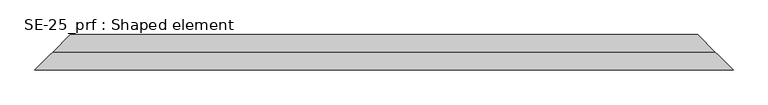
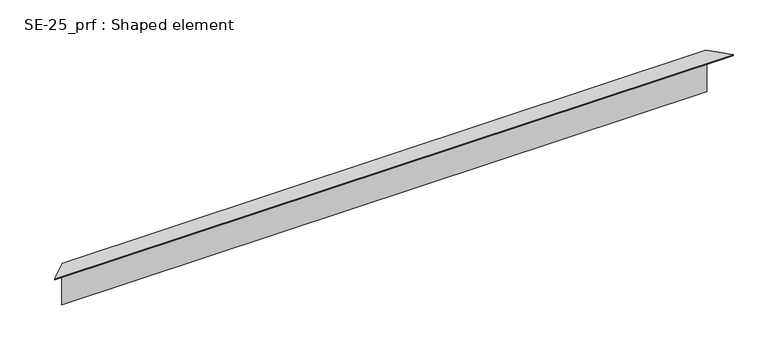
"""IFC4 building model written with IfcOpenShell, lengths in millimetres: proxy geometry, SE-25_prf : Shaped element."""

import ifcopenshell
import ifcopenshell.guid

model = None  # the IFC model being written
_history = None  # IfcOwnerHistory: only IFC2X3 demands one
_inside = {}  # id of a spatial element -> (the spatial element, [elements in it])
_under = {}  # id of a project, library or spatial element -> (it, [spatial elements below it])
_declared = {}  # id of a project -> (the project, [libraries it declares])
_typed = {}  # id of a type object -> (the type object, [elements of that type])
_made_of = {}  # id of a material, layer set ... -> (it, [elements and type objects made of it])


def new_model(schema):
    """Start an empty IFC model of exactly this schema.

    Asked for "IFC4X3", IfcOpenShell would pick the latest addendum, in which some entities
    have other attributes; the version numbers below select the first issue.
    IFC2X3 requires an IfcOwnerHistory on every rooted entity: one is made here for all.
    """
    global model, _history
    if schema == "IFC4X3":
        model = ifcopenshell.file(schema_version=(4, 3, 0, 0))
    else:
        model = ifcopenshell.file(schema=schema)
    _inside.clear()
    _under.clear()
    _declared.clear()
    _typed.clear()
    _made_of.clear()
    _history = None
    if model.schema == "IFC2X3":
        org = make("IfcOrganization", Name="unknown")
        user = make(
            "IfcPersonAndOrganization",
            ThePerson=make("IfcPerson", FamilyName="unknown"),
            TheOrganization=org,
        )
        app = make(
            "IfcApplication",
            ApplicationDeveloper=org,
            Version="unknown",
            ApplicationFullName="unknown",
            ApplicationIdentifier="unknown",
        )
        _history = make(
            "IfcOwnerHistory",
            OwningUser=user,
            OwningApplication=app,
            ChangeAction="ADDED",
            CreationDate=0,
        )
    return model


def make(cls, **values):
    """One entity of the class cls with the attributes given. An attribute that is None is left unset."""
    return model.create_entity(
        cls, **{name: value for name, value in values.items() if value is not None}
    )


def rooted(cls, **values):
    """An entity with a GlobalId (a new one), such as an element, a storey or a relation."""
    return make(cls, GlobalId=ifcopenshell.guid.new(), OwnerHistory=_history, **values)


def si_unit(unit_type, name, prefix=None):
    """IfcSIUnit, for example si_unit("LENGTHUNIT", "METRE", prefix="MILLI")."""
    return make("IfcSIUnit", UnitType=unit_type, Prefix=prefix, Name=name)


def assignment(units):
    """IfcUnitAssignment: the units of a project."""
    return None if units is None else make("IfcUnitAssignment", Units=units)


def point(xyz):
    """IfcCartesianPoint."""
    return None if xyz is None else make("IfcCartesianPoint", Coordinates=xyz)


def direction(xyz):
    """IfcDirection."""
    return None if xyz is None else make("IfcDirection", DirectionRatios=xyz)


def frame(location, z_axis=None, x_axis=None):
    """IfcAxis2Placement3D, a coordinate frame: its origin and axes. An axis left out is left unset."""
    return make(
        "IfcAxis2Placement3D",
        Location=point(location),
        Axis=direction(z_axis),
        RefDirection=direction(x_axis),
    )


def origin():
    """The frame at (0, 0, 0) with its axes left unset."""
    return frame((0.0, 0.0, 0.0))


def place(relative_to, where):
    """IfcLocalPlacement: puts the frame where relative to a parent placement (None: the world)."""
    return make(
        "IfcLocalPlacement", PlacementRelTo=relative_to, RelativePlacement=where
    )


def context(
    kind, dimensions, precision=None, world=None, true_north=None, identifier=None
):
    """IfcGeometricRepresentationContext, for example the 3D "Model" context."""
    return make(
        "IfcGeometricRepresentationContext",
        ContextIdentifier=identifier,
        ContextType=kind,
        CoordinateSpaceDimension=dimensions,
        Precision=precision,
        WorldCoordinateSystem=world,
        TrueNorth=true_north,
    )


def project(units=None, contexts=None):
    """IfcProject with its units and contexts."""
    return rooted(
        "IfcProject",
        Name="project",
        RepresentationContexts=contexts,
        UnitsInContext=assignment(units),
    )


def spatial(cls, under=None, at=None, **own):
    """A site, building, storey or space (cls), placed at a placement, below another one or the project."""
    s = rooted(cls, ObjectPlacement=at, **own)
    if under is not None:
        _under.setdefault(under.id(), (under, []))[1].append(s)
    return s


def faces_of(points, faces, orient=None, outer=None):
    """IfcFace entities. A face is a list of loops; a loop is a list of indices into points, from 0.

    orient and outer hold one flag for each loop. By default every Orientation is true, the
    first loop of a face is its IfcFaceOuterBound and the others are IfcFaceBound.
    """
    made = []
    for i, loops in enumerate(faces):
        bounds = []
        for j, loop in enumerate(loops):
            is_outer = j == 0 if outer is None else outer[i][j]
            bounds.append(
                make(
                    "IfcFaceOuterBound" if is_outer else "IfcFaceBound",
                    Bound=make("IfcPolyLoop", Polygon=[points[k] for k in loop]),
                    Orientation=True if orient is None else orient[i][j],
                )
            )
        made.append(make("IfcFace", Bounds=bounds))
    return made


def faceted_brep(points, faces, orient=None, outer=None, voids=None):
    """IfcFacetedBrep: a solid bounded by flat faces; with voids (closed shells), ...WithVoids."""
    shared = [point(p) for p in points]
    hull = make("IfcClosedShell", CfsFaces=faces_of(shared, faces, orient, outer))
    if voids is None:
        return make("IfcFacetedBrep", Outer=hull)
    return make(
        "IfcFacetedBrepWithVoids",
        Outer=hull,
        Voids=[
            make(cls, CfsFaces=faces_of(shared, fs, o, b)) for cls, fs, o, b in voids
        ],
    )


def shape(context_of_items, identifier, shape_type, items):
    """IfcShapeRepresentation: the items that make up one representation, for example the "Body"."""
    return make(
        "IfcShapeRepresentation",
        ContextOfItems=context_of_items,
        RepresentationIdentifier=identifier,
        RepresentationType=shape_type,
        Items=items,
    )


def source(mapping_origin, context_of_items, identifier, shape_type, items):
    """IfcRepresentationMap: a shape defined once, which mapped items show again and again."""
    return make(
        "IfcRepresentationMap",
        MappingOrigin=mapping_origin,
        MappedRepresentation=shape(context_of_items, identifier, shape_type, items),
    )


def transform(
    local_origin,
    x_axis=None,
    y_axis=None,
    z_axis=None,
    scale=None,
    scale2=None,
    scale3=None,
    uniform=True,
):
    """IfcCartesianTransformationOperator3D, or its non-uniform kind. x_axis, y_axis, z_axis: its Axis1, 2, 3."""
    if uniform:
        return make(
            "IfcCartesianTransformationOperator3D",
            Axis1=direction(x_axis),
            Axis2=direction(y_axis),
            LocalOrigin=point(local_origin),
            Scale=scale,
            Axis3=direction(z_axis),
        )
    return make(
        "IfcCartesianTransformationOperator3DnonUniform",
        Axis1=direction(x_axis),
        Axis2=direction(y_axis),
        LocalOrigin=point(local_origin),
        Scale=scale,
        Axis3=direction(z_axis),
        Scale2=scale2,
        Scale3=scale3,
    )


def mapped(mapping_source, mapping_target):
    """IfcMappedItem: shows the shape of a source again, moved by a transform."""
    return make(
        "IfcMappedItem", MappingSource=mapping_source, MappingTarget=mapping_target
    )


def made_of(thing, what):
    """Note that an element or type object is made of a material, layer set ...; save() writes the relation."""
    if what is not None:
        _made_of.setdefault(what.id(), (what, []))[1].append(thing)
    return thing


def element(
    cls,
    number,
    at=None,
    inside=None,
    cuts=None,
    type_object=None,
    material=None,
    context=None,
    identifier="Body",
    shape_type=None,
    held_by="IfcProductDefinitionShape",
    body=None,
    shapes=None,
    **own,
):
    """One element of the class cls, such as IfcWall. Its Tag is "e" and its number.

    at: its placement. inside: the storey or other place that contains it. cuts: it is an
    opening in that element (IfcRelVoidsElement). A single representation is given by context,
    identifier, shape_type and body (its items); several are given by shapes. held_by: the class
    of the entity that holds the representations. save() writes the other relations.
    """
    e = rooted(cls, Tag="e%d" % number, ObjectPlacement=at, **own)
    if body is not None:
        shapes = [shape(context, identifier, shape_type, body)]
    if shapes is not None:
        e.Representation = make(held_by, Representations=shapes)
    if inside is not None:
        _inside.setdefault(inside.id(), (inside, []))[1].append(e)
    if cuts is not None:
        rooted(
            "IfcRelVoidsElement", RelatingBuildingElement=cuts, RelatedOpeningElement=e
        )
    if type_object is not None:
        _typed.setdefault(type_object.id(), (type_object, []))[1].append(e)
    return made_of(e, material)


def aggregate(whole, parts):
    """IfcRelAggregates: a whole, such as a stair, and the parts it consists of."""
    return rooted("IfcRelAggregates", RelatingObject=whole, RelatedObjects=parts)


def save(model, path):
    """Write the relations noted so far, then the file.

    IfcRelAggregates (storeys below a building ...), IfcRelContainedInSpatialStructure (elements
    in a storey), IfcRelDefinesByType, IfcRelAssociatesMaterial and IfcRelDeclares: one each for
    every whole, place, type object, material and project.
    """
    for whole, parts in _under.values():
        aggregate(whole, parts)
    for where, things in _inside.values():
        rooted(
            "IfcRelContainedInSpatialStructure",
            RelatedElements=things,
            RelatingStructure=where,
        )
    for kind, things in _typed.values():
        rooted("IfcRelDefinesByType", RelatedObjects=things, RelatingType=kind)
    for what, things in _made_of.values():
        rooted("IfcRelAssociatesMaterial", RelatedObjects=things, RelatingMaterial=what)
    for by, libraries in _declared.values():
        rooted("IfcRelDeclares", RelatingContext=by, RelatedDefinitions=libraries)
    model.write(path)


def se_25_prf_shaped_element_3dfe272e(model_context):
    return source(origin(), model_context, "Body", "Brep", [
        faceted_brep([(45.0, 45.0, 2.0), (45.0, 45.0, 5.0), (1463.7010473, 45.0, 5.0), (1463.7010473, 45.0, 2.0), (35.0, 35.0, 2.0), (1473.7010473, 35.0, 2.0), (35.0, 35.0, 3.0), (1473.7010473, 35.0, 3.0), (44.0, 44.0, 3.0), (1464.7010473, 44.0, 3.0), (44.0, 44.0, 4.0), (1464.7010473, 44.0, 4.0), (4.0, 4.0, 4.0), (1504.7010473, 4.0, 4.0), (4.0, 4.0, 104.0), (1504.7010473, 4.0, 104.0), (0.0, 0.0, 104.0), (1508.7010473, 0.0, 104.0), (1542.7010473, -34.0, 104.0), (-34.0, -34.0, 104.0), (5.0, 5.0, 105.0), (0.0, 0.0, 105.0), (-35.0, -35.0, 105.0), (1543.7010473, -35.0, 105.0), (1508.7010473, 0.0, 105.0), (1503.7010473, 5.0, 105.0), (5.0, 5.0, 5.0), (1503.7010473, 5.0, 5.0), (-34.0, -34.0, 103.0), (1542.7010473, -34.0, 103.0), (-25.0, -25.0, 103.0), (1533.7010473, -25.0, 103.0), (-25.0, -25.0, 102.0), (1533.7010473, -25.0, 102.0), (-35.0, -35.0, 102.0), (1543.7010473, -35.0, 102.0)], [[[0, 1, 2, 3]], [[4, 0, 3, 5]], [[6, 4, 5, 7]], [[8, 6, 7, 9]], [[10, 8, 9, 11]], [[12, 10, 11, 13]], [[14, 12, 13, 15]], [[16, 14, 15, 17, 18, 19]], [[20, 21, 22, 23, 24, 25]], [[26, 20, 25, 27]], [[1, 26, 27, 2]], [[28, 19, 18, 29]], [[30, 28, 29, 31]], [[32, 30, 31, 33]], [[34, 32, 33, 35]], [[22, 34, 35, 23]], [[16, 21, 20, 26, 1, 0, 4, 6, 8, 10, 12, 14]], [[21, 16, 19, 28, 30, 32, 34, 22]], [[24, 17, 15, 13, 11, 9, 7, 5, 3, 2, 27, 25]], [[17, 24, 23, 35, 33, 31, 29, 18]]]),
    ])


if __name__ == "__main__":
    model = new_model("IFC4")
    model_context = context("Model", 3, world=origin())
    ifc_project = project(units=[si_unit("LENGTHUNIT", "METRE", prefix="MILLI")], contexts=[model_context])
    site = spatial("IfcSite", under=ifc_project)
    building = spatial("IfcBuilding", under=site)
    placement = place(None, origin())
    se_25_prf_shaped_element_shape = se_25_prf_shaped_element_3dfe272e(model_context)
    element("IfcBuildingElementProxy", 1, Name="SE-25_prf : Shaped element", ObjectType="SE-25_prf : Shaped element", at=placement, inside=building, context=model_context, shape_type="MappedRepresentation", body=[
        mapped(se_25_prf_shaped_element_shape, transform((0.0, 0.0, 0.0), x_axis=(1.0, 0.0, 0.0), y_axis=(0.0, 1.0, 0.0), z_axis=(0.0, 0.0, 1.0))),
    ])
    save(model, "model.ifc")
